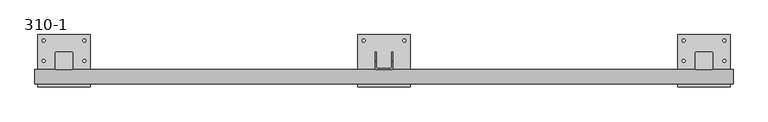
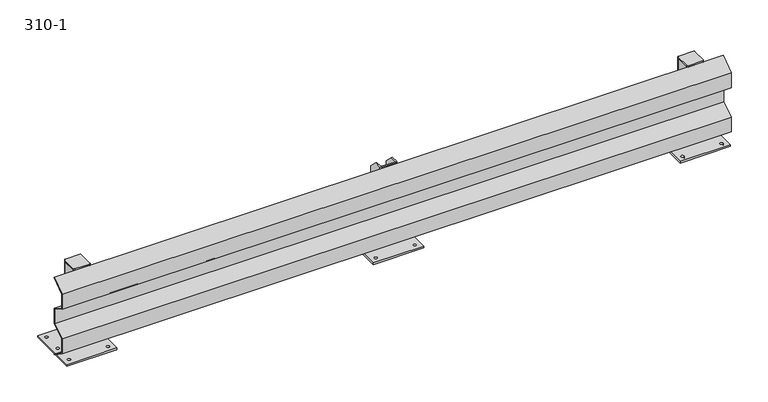
"""IFC4 building model written with IfcOpenShell, lengths in millimetres: proxy geometry, 310-1."""

import ifcopenshell
import ifcopenshell.guid

model = None  # the IFC model being written
_history = None  # IfcOwnerHistory: only IFC2X3 demands one
_inside = {}  # id of a spatial element -> (the spatial element, [elements in it])
_under = {}  # id of a project, library or spatial element -> (it, [spatial elements below it])
_declared = {}  # id of a project -> (the project, [libraries it declares])
_typed = {}  # id of a type object -> (the type object, [elements of that type])
_made_of = {}  # id of a material, layer set ... -> (it, [elements and type objects made of it])


def new_model(schema):
    """Start an empty IFC model of exactly this schema.

    Asked for "IFC4X3", IfcOpenShell would pick the latest addendum, in which some entities
    have other attributes; the version numbers below select the first issue.
    IFC2X3 requires an IfcOwnerHistory on every rooted entity: one is made here for all.
    """
    global model, _history
    if schema == "IFC4X3":
        model = ifcopenshell.file(schema_version=(4, 3, 0, 0))
    else:
        model = ifcopenshell.file(schema=schema)
    _inside.clear()
    _under.clear()
    _declared.clear()
    _typed.clear()
    _made_of.clear()
    _history = None
    if model.schema == "IFC2X3":
        org = make("IfcOrganization", Name="unknown")
        user = make(
            "IfcPersonAndOrganization",
            ThePerson=make("IfcPerson", FamilyName="unknown"),
            TheOrganization=org,
        )
        app = make(
            "IfcApplication",
            ApplicationDeveloper=org,
            Version="unknown",
            ApplicationFullName="unknown",
            ApplicationIdentifier="unknown",
        )
        _history = make(
            "IfcOwnerHistory",
            OwningUser=user,
            OwningApplication=app,
            ChangeAction="ADDED",
            CreationDate=0,
        )
    return model


def make(cls, **values):
    """One entity of the class cls with the attributes given. An attribute that is None is left unset."""
    return model.create_entity(
        cls, **{name: value for name, value in values.items() if value is not None}
    )


def rooted(cls, **values):
    """An entity with a GlobalId (a new one), such as an element, a storey or a relation."""
    return make(cls, GlobalId=ifcopenshell.guid.new(), OwnerHistory=_history, **values)


def si_unit(unit_type, name, prefix=None):
    """IfcSIUnit, for example si_unit("LENGTHUNIT", "METRE", prefix="MILLI")."""
    return make("IfcSIUnit", UnitType=unit_type, Prefix=prefix, Name=name)


def assignment(units):
    """IfcUnitAssignment: the units of a project."""
    return None if units is None else make("IfcUnitAssignment", Units=units)


def point(xyz):
    """IfcCartesianPoint."""
    return None if xyz is None else make("IfcCartesianPoint", Coordinates=xyz)


def direction(xyz):
    """IfcDirection."""
    return None if xyz is None else make("IfcDirection", DirectionRatios=xyz)


def frame(location, z_axis=None, x_axis=None):
    """IfcAxis2Placement3D, a coordinate frame: its origin and axes. An axis left out is left unset."""
    return make(
        "IfcAxis2Placement3D",
        Location=point(location),
        Axis=direction(z_axis),
        RefDirection=direction(x_axis),
    )


def frame_2d(location, x_axis=None):
    """IfcAxis2Placement2D, a coordinate frame in the plane: its origin and x axis."""
    return make(
        "IfcAxis2Placement2D", Location=point(location), RefDirection=direction(x_axis)
    )


def origin():
    """The frame at (0, 0, 0) with its axes left unset."""
    return frame((0.0, 0.0, 0.0))


def origin_with_axes():
    """The frame at (0, 0, 0) with the z axis (0, 0, 1) and the x axis (1, 0, 0) written out."""
    return frame((0.0, 0.0, 0.0), z_axis=(0.0, 0.0, 1.0), x_axis=(1.0, 0.0, 0.0))


def place(relative_to, where):
    """IfcLocalPlacement: puts the frame where relative to a parent placement (None: the world)."""
    return make(
        "IfcLocalPlacement", PlacementRelTo=relative_to, RelativePlacement=where
    )


def context(
    kind, dimensions, precision=None, world=None, true_north=None, identifier=None
):
    """IfcGeometricRepresentationContext, for example the 3D "Model" context."""
    return make(
        "IfcGeometricRepresentationContext",
        ContextIdentifier=identifier,
        ContextType=kind,
        CoordinateSpaceDimension=dimensions,
        Precision=precision,
        WorldCoordinateSystem=world,
        TrueNorth=true_north,
    )


def project(units=None, contexts=None):
    """IfcProject with its units and contexts."""
    return rooted(
        "IfcProject",
        Name="project",
        RepresentationContexts=contexts,
        UnitsInContext=assignment(units),
    )


def spatial(cls, under=None, at=None, **own):
    """A site, building, storey or space (cls), placed at a placement, below another one or the project."""
    s = rooted(cls, ObjectPlacement=at, **own)
    if under is not None:
        _under.setdefault(under.id(), (under, []))[1].append(s)
    return s


def polyline(points):
    """IfcPolyline through the points."""
    return make("IfcPolyline", Points=[point(p) for p in points])


def circle_curve(where, radius):
    """IfcCircle in the frame where."""
    return make("IfcCircle", Position=where, Radius=radius)


def trimmed(basis, trim1, trim2, sense, master):
    """IfcTrimmedCurve: the piece of a basis curve between two trims."""
    return make(
        "IfcTrimmedCurve",
        BasisCurve=basis,
        Trim1=trim1,
        Trim2=trim2,
        SenseAgreement=sense,
        MasterRepresentation=master,
    )


def segment(curve, same_sense, transition):
    """IfcCompositeCurveSegment."""
    return make(
        "IfcCompositeCurveSegment",
        Transition=transition,
        SameSense=same_sense,
        ParentCurve=curve,
    )


def composite_curve(segments, self_intersect=None):
    """IfcCompositeCurve: segments joined end to end."""
    return make("IfcCompositeCurve", Segments=segments, SelfIntersect=self_intersect)


def outline(outer, holes=None, kind="AREA"):
    """IfcArbitraryClosedProfileDef: a profile drawn as a closed curve; with holes, ...WithVoids."""
    if holes is None:
        return make("IfcArbitraryClosedProfileDef", ProfileType=kind, OuterCurve=outer)
    return make(
        "IfcArbitraryProfileDefWithVoids",
        ProfileType=kind,
        OuterCurve=outer,
        InnerCurves=holes,
    )


def extrude(swept, where, along, depth):
    """IfcExtrudedAreaSolid: the profile swept, set in the frame where, extruded along a direction by depth."""
    return make(
        "IfcExtrudedAreaSolid",
        SweptArea=swept,
        Position=where,
        ExtrudedDirection=direction(along),
        Depth=depth,
    )


def shape(context_of_items, identifier, shape_type, items):
    """IfcShapeRepresentation: the items that make up one representation, for example the "Body"."""
    return make(
        "IfcShapeRepresentation",
        ContextOfItems=context_of_items,
        RepresentationIdentifier=identifier,
        RepresentationType=shape_type,
        Items=items,
    )


def source(mapping_origin, context_of_items, identifier, shape_type, items):
    """IfcRepresentationMap: a shape defined once, which mapped items show again and again."""
    return make(
        "IfcRepresentationMap",
        MappingOrigin=mapping_origin,
        MappedRepresentation=shape(context_of_items, identifier, shape_type, items),
    )


def transform(
    local_origin,
    x_axis=None,
    y_axis=None,
    z_axis=None,
    scale=None,
    scale2=None,
    scale3=None,
    uniform=True,
):
    """IfcCartesianTransformationOperator3D, or its non-uniform kind. x_axis, y_axis, z_axis: its Axis1, 2, 3."""
    if uniform:
        return make(
            "IfcCartesianTransformationOperator3D",
            Axis1=direction(x_axis),
            Axis2=direction(y_axis),
            LocalOrigin=point(local_origin),
            Scale=scale,
            Axis3=direction(z_axis),
        )
    return make(
        "IfcCartesianTransformationOperator3DnonUniform",
        Axis1=direction(x_axis),
        Axis2=direction(y_axis),
        LocalOrigin=point(local_origin),
        Scale=scale,
        Axis3=direction(z_axis),
        Scale2=scale2,
        Scale3=scale3,
    )


def mapped(mapping_source, mapping_target):
    """IfcMappedItem: shows the shape of a source again, moved by a transform."""
    return make(
        "IfcMappedItem", MappingSource=mapping_source, MappingTarget=mapping_target
    )


def made_of(thing, what):
    """Note that an element or type object is made of a material, layer set ...; save() writes the relation."""
    if what is not None:
        _made_of.setdefault(what.id(), (what, []))[1].append(thing)
    return thing


def element(
    cls,
    number,
    at=None,
    inside=None,
    cuts=None,
    type_object=None,
    material=None,
    context=None,
    identifier="Body",
    shape_type=None,
    held_by="IfcProductDefinitionShape",
    body=None,
    shapes=None,
    **own,
):
    """One element of the class cls, such as IfcWall. Its Tag is "e" and its number.

    at: its placement. inside: the storey or other place that contains it. cuts: it is an
    opening in that element (IfcRelVoidsElement). A single representation is given by context,
    identifier, shape_type and body (its items); several are given by shapes. held_by: the class
    of the entity that holds the representations. save() writes the other relations.
    """
    e = rooted(cls, Tag="e%d" % number, ObjectPlacement=at, **own)
    if body is not None:
        shapes = [shape(context, identifier, shape_type, body)]
    if shapes is not None:
        e.Representation = make(held_by, Representations=shapes)
    if inside is not None:
        _inside.setdefault(inside.id(), (inside, []))[1].append(e)
    if cuts is not None:
        rooted(
            "IfcRelVoidsElement", RelatingBuildingElement=cuts, RelatedOpeningElement=e
        )
    if type_object is not None:
        _typed.setdefault(type_object.id(), (type_object, []))[1].append(e)
    return made_of(e, material)


def aggregate(whole, parts):
    """IfcRelAggregates: a whole, such as a stair, and the parts it consists of."""
    return rooted("IfcRelAggregates", RelatingObject=whole, RelatedObjects=parts)


def save(model, path):
    """Write the relations noted so far, then the file.

    IfcRelAggregates (storeys below a building ...), IfcRelContainedInSpatialStructure (elements
    in a storey), IfcRelDefinesByType, IfcRelAssociatesMaterial and IfcRelDeclares: one each for
    every whole, place, type object, material and project.
    """
    for whole, parts in _under.values():
        aggregate(whole, parts)
    for where, things in _inside.values():
        rooted(
            "IfcRelContainedInSpatialStructure",
            RelatedElements=things,
            RelatingStructure=where,
        )
    for kind, things in _typed.values():
        rooted("IfcRelDefinesByType", RelatedObjects=things, RelatingType=kind)
    for what, things in _made_of.values():
        rooted("IfcRelAssociatesMaterial", RelatedObjects=things, RelatingMaterial=what)
    for by, libraries in _declared.values():
        rooted("IfcRelDeclares", RelatingContext=by, RelatedDefinitions=libraries)
    model.write(path)


def plane_surface(at):
    """IfcPlane: the flat surface through the origin of the frame at, square to its z axis."""
    return make("IfcPlane", Position=at)


def cylinder_surface(at, radius):
    """IfcCylindricalSurface: all points at the distance radius from the z axis of the frame at."""
    return make("IfcCylindricalSurface", Position=at, Radius=radius)


def revolved_surface(curve, axis_point, axis_direction):
    """IfcSurfaceOfRevolution: the curve turned about the line through axis_point along axis_direction."""
    return make(
        "IfcSurfaceOfRevolution",
        SweptCurve=make("IfcArbitraryOpenProfileDef", ProfileType="CURVE", Curve=curve),
        AxisPosition=make("IfcAxis1Placement", Location=point(axis_point), Axis=direction(axis_direction)),
    )


def advanced_brep(points, edges, surfaces, faces):
    """IfcAdvancedBrep: a solid bounded by faces that lie on surfaces and meet in shared edges.

    An edge is (start, end): straight between two places in points (the first is 0);
    or (start, end, curve); or (start, end, curve, False) where it runs against its curve.
    A face is (place in surfaces, loops), or (place, loops, False) where it looks against
    its surface's normal. A loop lists edges by number (the first is 1), with a minus sign
    where the edge is run from its end to its start. The first loop is the outer one.
    """
    corners = [point(p) for p in points]
    vertices = [make("IfcVertexPoint", VertexGeometry=c) for c in corners]
    made = []
    for start, end, *more in edges:
        made.append(
            make(
                "IfcEdgeCurve",
                EdgeStart=vertices[start],
                EdgeEnd=vertices[end],
                EdgeGeometry=more[0] if more else make("IfcPolyline", Points=[corners[start], corners[end]]),
                SameSense=more[1] if len(more) > 1 else True,
            )
        )
    hull = []
    for where, loops, *sense in faces:
        bounds = []
        for j, loop in enumerate(loops):
            ring = [make("IfcOrientedEdge", EdgeElement=made[abs(k) - 1], Orientation=k > 0) for k in loop]
            bounds.append(
                make(
                    "IfcFaceOuterBound" if j == 0 else "IfcFaceBound",
                    Bound=make("IfcEdgeLoop", EdgeList=ring),
                    Orientation=True,
                )
            )
        hull.append(make("IfcAdvancedFace", Bounds=bounds, FaceSurface=surfaces[where], SameSense=sense[0] if sense else True))
    return make("IfcAdvancedBrep", Outer=make("IfcClosedShell", CfsFaces=hull))


def proxy_310_1_4aca8709(model_context):
    return source(origin(), model_context, "Body", "SolidModel", [
        extrude(outline(polyline([(-30.0, 302.5500027), (-78.0, 268.5877822), (-78.0, 214.6001053), (-30.0, 186.1623259), (-30.0, 128.8381046), (-78.0, 100.4408827), (-78.0, 46.3636576), (-30.0, 12.4488566), (-30.0, 10.0), (-80.0, 45.3279177), (-80.0, 101.581456), (-32.0, 129.9786778), (-32.0, 185.0225816), (-80.0, 213.4603611), (-80.0, 269.622687), (-30.0, 305.0), (-30.0, 302.5500027)])), frame((-100.0, 0.0, 0.0), z_axis=(1.0, 0.0, 0.0), x_axis=(0.0, 1.0, 0.0)), (0.0, 0.0, 1.0), 2400.0),
        advanced_brep(
        [(1070.0, -26.0, 310.0), (1074.0, -30.0, 310.0), (1126.0, -30.0, 310.0), (1130.0, -26.0, 310.0), (1130.0, 0.0, 310.0), (1126.0, 0.0, 310.0), (1126.0, -24.0, 310.0), (1124.0, -26.0, 310.0), (1076.0, -26.0, 310.0), (1074.0, -24.0, 310.0), (1074.0, 0.0, 310.0), (1070.0, 0.0, 310.0), (1070.0, -26.0, 6.0), (1070.0, 30.0, 6.0), (1074.0, 30.0, 6.0), (1074.0, -24.0, 6.0), (1076.0, -26.0, 6.0), (1124.0, -26.0, 6.0), (1126.0, -24.0, 6.0), (1126.0, 30.0, 6.0), (1130.0, 30.0, 6.0), (1130.0, -26.0, 6.0), (1126.0, -30.0, 6.0), (1074.0, -30.0, 6.0), (1130.0, 30.0, 280.0), (1126.0, 30.0, 280.0), (1074.0, 30.0, 280.0), (1070.0, 30.0, 280.0)],
        [
            (0, 1, circle_curve(frame((1074.0, -26.0, 310.0), z_axis=(0.0, 0.0, 1.0), x_axis=(-1.0, 0.0, 0.0)), 4.0)),
            (1, 2),
            (2, 3, circle_curve(frame((1126.0, -26.0, 310.0), z_axis=(0.0, 0.0, 1.0), x_axis=(-1.0, 0.0, 0.0)), 4.0)),
            (3, 4),
            (4, 5),
            (5, 6),
            (6, 7, circle_curve(frame((1124.0, -24.0, 310.0), z_axis=(0.0, 0.0, -1.0), x_axis=(-1.0, 0.0, 0.0)), 2.0)),
            (7, 8),
            (8, 9, circle_curve(frame((1076.0, -24.0, 310.0), z_axis=(0.0, 0.0, -1.0), x_axis=(-1.0, 0.0, 0.0)), 2.0)),
            (9, 10),
            (10, 11),
            (11, 0),
            (12, 13),
            (13, 14),
            (14, 15),
            (15, 16, circle_curve(frame((1076.0, -24.0, 6.0), z_axis=(0.0, 0.0, 1.0), x_axis=(-1.0, 0.0, 0.0)), 2.0)),
            (16, 17),
            (17, 18, circle_curve(frame((1124.0, -24.0, 6.0), z_axis=(0.0, 0.0, 1.0), x_axis=(-1.0, 0.0, 0.0)), 2.0)),
            (18, 19),
            (19, 20),
            (20, 21),
            (21, 22, circle_curve(frame((1126.0, -26.0, 6.0), z_axis=(0.0, 0.0, -1.0), x_axis=(-1.0, 0.0, 0.0)), 4.0)),
            (22, 23),
            (23, 12, circle_curve(frame((1074.0, -26.0, 6.0), z_axis=(0.0, 0.0, -1.0), x_axis=(-1.0, 0.0, 0.0)), 4.0)),
            (0, 12),
            (23, 1),
            (22, 2),
            (21, 3),
            (20, 24),
            (24, 4),
            (19, 25),
            (25, 24),
            (18, 6),
            (5, 25),
            (17, 7),
            (16, 8),
            (15, 9),
            (14, 26),
            (26, 10),
            (13, 27),
            (27, 26),
            (11, 27),
        ],
        [
            plane_surface(frame((1070.0, -26.0, 310.0), z_axis=(0.0, 0.0, 1.0), x_axis=(0.0, -1.0, 0.0))),
            plane_surface(frame((1070.0, -26.0, 6.0), z_axis=(0.0, 0.0, -1.0), x_axis=(0.0, 1.0, 0.0))),
            cylinder_surface(frame((1074.0, -26.0, 6.0), z_axis=(0.0, 0.0, 1.0), x_axis=(-1.0, 0.0, 0.0)), 4.0),
            plane_surface(frame((1074.0, -30.0, 310.0), z_axis=(0.0, -1.0, 0.0), x_axis=(0.0, 0.0, -1.0))),
            cylinder_surface(frame((1126.0, -26.0, 6.0), z_axis=(0.0, 0.0, 1.0), x_axis=(-1.0, 0.0, 0.0)), 4.0),
            plane_surface(frame((1130.0, -26.0, 310.0), z_axis=(1.0, 0.0, 0.0), x_axis=(0.0, 0.0, -1.0))),
            plane_surface(frame((1130.0, 30.0, 310.0), z_axis=(0.0, 1.0, 0.0), x_axis=(0.0, 0.0, -1.0))),
            plane_surface(frame((1126.0, 30.0, 310.0), z_axis=(-1.0, 0.0, 0.0), x_axis=(0.0, 0.0, -1.0))),
            revolved_surface(polyline([(1122.0, -24.0, 6.0), (1122.0, -24.0, 310.0)]), (1124.0, -24.0, 6.0), (0.0, 0.0, -1.0)),
            plane_surface(frame((1124.0, -26.0, 310.0), z_axis=(0.0, 1.0, 0.0), x_axis=(0.0, 0.0, -1.0))),
            revolved_surface(polyline([(1074.0, -24.0, 6.0), (1074.0, -24.0, 310.0)]), (1076.0, -24.0, 6.0), (0.0, 0.0, -1.0)),
            plane_surface(frame((1074.0, -24.0, 310.0), z_axis=(1.0, 0.0, 0.0), x_axis=(0.0, 0.0, -1.0))),
            plane_surface(frame((1074.0, 30.0, 310.0), z_axis=(0.0, 1.0, 0.0), x_axis=(0.0, 0.0, -1.0))),
            plane_surface(frame((1070.0, 30.0, 310.0), z_axis=(-1.0, 0.0, 0.0), x_axis=(0.0, 0.0, -1.0))),
            plane_surface(frame((1130.0, 0.0, 310.0), z_axis=(0.0, 0.7071067811865482, 0.7071067811865469), x_axis=(-1.0, 0.0, 0.0))),
            plane_surface(frame((1074.0, 0.0, 310.0), z_axis=(0.0, 0.7071067811865539, 0.7071067811865411), x_axis=(-1.0, 0.0, 0.0))),
        ],
        [
            (0, [[1, 2, 3, 4, 5, 6, 7, 8, 9, 10, 11, 12]]),
            (1, [[13, 14, 15, 16, 17, 18, 19, 20, 21, 22, 23, 24]]),
            (2, [[-1, 25, -24, 26]]),
            (3, [[-2, -26, -23, 27]]),
            (4, [[-3, -27, -22, 28]]),
            (5, [[-21, 29, 30, -4, -28]]),
            (6, [[-20, 31, 32, -29]]),
            (7, [[-19, 33, -6, 34, -31]]),
            (8, [[-7, -33, -18, 35]]),
            (9, [[-8, -35, -17, 36]]),
            (10, [[-9, -36, -16, 37]]),
            (11, [[-15, 38, 39, -10, -37]]),
            (12, [[-14, 40, 41, -38]]),
            (13, [[-13, -25, -12, 42, -40]]),
            (14, [[-5, -30, -32, -34]]),
            (15, [[-11, -39, -41, -42]]),
        ],
    ),
        extrude(outline(polyline([(1190.0, 90.0), (1190.0, -90.0), (1010.0, -90.0), (1010.0, 90.0), (1190.0, 90.0)]), holes=[composite_curve([segment(trimmed(circle_curve(frame_2d((1030.0, 70.0)), 5.0), [point((1025.0, 70.0))], [point((1035.0, 70.0))], True, "CARTESIAN"), True, "CONTINUOUS"), segment(trimmed(circle_curve(frame_2d((1030.0, 70.0)), 5.0), [point((1035.0, 70.0))], [point((1025.0, 70.0))], True, "CARTESIAN"), True, "CONTINUOUS")], self_intersect=False), composite_curve([segment(trimmed(circle_curve(frame_2d((1170.0, 70.0)), 5.0), [point((1165.0, 70.0))], [point((1175.0, 70.0))], True, "CARTESIAN"), True, "CONTINUOUS"), segment(trimmed(circle_curve(frame_2d((1170.0, 70.0)), 5.0), [point((1175.0, 70.0))], [point((1165.0, 70.0))], True, "CARTESIAN"), True, "CONTINUOUS")], self_intersect=False), composite_curve([segment(trimmed(circle_curve(frame_2d((1030.0, -70.0)), 5.0), [point((1025.0, -70.0))], [point((1035.0, -70.0))], True, "CARTESIAN"), True, "CONTINUOUS"), segment(trimmed(circle_curve(frame_2d((1030.0, -70.0)), 5.0), [point((1035.0, -70.0))], [point((1025.0, -70.0))], True, "CARTESIAN"), True, "CONTINUOUS")], self_intersect=False), composite_curve([segment(trimmed(circle_curve(frame_2d((1170.0, -70.0)), 5.0), [point((1165.0, -70.0))], [point((1175.0, -70.0))], True, "CARTESIAN"), True, "CONTINUOUS"), segment(trimmed(circle_curve(frame_2d((1170.0, -70.0)), 5.0), [point((1175.0, -70.0))], [point((1165.0, -70.0))], True, "CARTESIAN"), True, "CONTINUOUS")], self_intersect=False)]), origin_with_axes(), (0.0, 0.0, 1.0), 6.0),
        extrude(outline(composite_curve([segment(trimmed(circle_curve(frame_2d((2226.0, 26.0)), 4.0), [point((2226.0, 30.0))], [point((2230.0, 26.0))], False, "CARTESIAN"), True, "CONTINUOUS"), segment(polyline([(2230.0, 26.0), (2230.0, -26.0)]), True, "CONTINUOUS"), segment(trimmed(circle_curve(frame_2d((2226.0, -26.0)), 4.0), [point((2230.0, -26.0))], [point((2226.0, -30.0))], False, "CARTESIAN"), True, "CONTINUOUS"), segment(polyline([(2226.0, -30.0), (2174.0, -30.0)]), True, "CONTINUOUS"), segment(trimmed(circle_curve(frame_2d((2174.0, -26.0)), 4.0), [point((2174.0, -30.0))], [point((2170.0, -26.0))], False, "CARTESIAN"), True, "CONTINUOUS"), segment(polyline([(2170.0, -26.0), (2170.0, 26.0)]), True, "CONTINUOUS"), segment(trimmed(circle_curve(frame_2d((2174.0, 26.0)), 4.0), [point((2170.0, 26.0))], [point((2174.0, 30.0))], False, "CARTESIAN"), True, "CONTINUOUS"), segment(polyline([(2174.0, 30.0), (2226.0, 30.0)]), True, "CONTINUOUS")], self_intersect=False)), frame((0.0, 0.0, 305.0), z_axis=(0.0, 0.0, 1.0), x_axis=(1.0, 0.0, 0.0)), (0.0, 0.0, 1.0), 5.0),
        extrude(outline(composite_curve([segment(polyline([(2170.0, -26.0), (2170.0, 26.0)]), True, "CONTINUOUS"), segment(trimmed(circle_curve(frame_2d((2174.0, 26.0)), 4.0), [point((2170.0, 26.0))], [point((2174.0, 30.0))], False, "CARTESIAN"), True, "CONTINUOUS"), segment(polyline([(2174.0, 30.0), (2226.0, 30.0)]), True, "CONTINUOUS"), segment(trimmed(circle_curve(frame_2d((2226.0, 26.0)), 4.0), [point((2226.0, 30.0))], [point((2230.0, 26.0))], False, "CARTESIAN"), True, "CONTINUOUS"), segment(polyline([(2230.0, 26.0), (2230.0, -26.0)]), True, "CONTINUOUS"), segment(trimmed(circle_curve(frame_2d((2226.0, -26.0)), 4.0), [point((2230.0, -26.0))], [point((2226.0, -30.0))], False, "CARTESIAN"), True, "CONTINUOUS"), segment(polyline([(2226.0, -30.0), (2174.0, -30.0)]), True, "CONTINUOUS"), segment(trimmed(circle_curve(frame_2d((2174.0, -26.0)), 4.0), [point((2174.0, -30.0))], [point((2170.0, -26.0))], False, "CARTESIAN"), True, "CONTINUOUS")], self_intersect=False), holes=[composite_curve([segment(polyline([(2224.0, 26.0), (2176.0, 26.0)]), True, "CONTINUOUS"), segment(trimmed(circle_curve(frame_2d((2176.0, 24.0)), 2.0), [point((2176.0, 26.0))], [point((2174.0, 24.0))], True, "CARTESIAN"), True, "CONTINUOUS"), segment(polyline([(2174.0, 24.0), (2174.0, -24.0)]), True, "CONTINUOUS"), segment(trimmed(circle_curve(frame_2d((2176.0, -24.0)), 2.0), [point((2174.0, -24.0))], [point((2176.0, -26.0))], True, "CARTESIAN"), True, "CONTINUOUS"), segment(polyline([(2176.0, -26.0), (2224.0, -26.0)]), True, "CONTINUOUS"), segment(trimmed(circle_curve(frame_2d((2224.0, -24.0)), 2.0), [point((2224.0, -26.0))], [point((2226.0, -24.0))], True, "CARTESIAN"), True, "CONTINUOUS"), segment(polyline([(2226.0, -24.0), (2226.0, 24.0)]), True, "CONTINUOUS"), segment(trimmed(circle_curve(frame_2d((2224.0, 24.0)), 2.0), [point((2226.0, 24.0))], [point((2224.0, 26.0))], True, "CARTESIAN"), True, "CONTINUOUS")], self_intersect=False)]), frame((0.0, 0.0, 6.0), z_axis=(0.0, 0.0, 1.0), x_axis=(1.0, 0.0, 0.0)), (0.0, 0.0, 1.0), 299.0),
        extrude(outline(polyline([(2290.0, 90.0), (2290.0, -90.0), (2110.0, -90.0), (2110.0, 90.0), (2290.0, 90.0)]), holes=[composite_curve([segment(trimmed(circle_curve(frame_2d((2130.0, 70.0)), 5.0), [point((2125.0, 70.0))], [point((2135.0, 70.0))], True, "CARTESIAN"), True, "CONTINUOUS"), segment(trimmed(circle_curve(frame_2d((2130.0, 70.0)), 5.0), [point((2135.0, 70.0))], [point((2125.0, 70.0))], True, "CARTESIAN"), True, "CONTINUOUS")], self_intersect=False), composite_curve([segment(trimmed(circle_curve(frame_2d((2130.0, 0.0)), 5.0), [point((2125.0, 0.0))], [point((2135.0, 0.0))], True, "CARTESIAN"), True, "CONTINUOUS"), segment(trimmed(circle_curve(frame_2d((2130.0, 0.0)), 5.0), [point((2135.0, 0.0))], [point((2125.0, 0.0))], True, "CARTESIAN"), True, "CONTINUOUS")], self_intersect=False), composite_curve([segment(trimmed(circle_curve(frame_2d((2130.0, -70.0)), 5.0), [point((2125.0, -70.0))], [point((2135.0, -70.0))], True, "CARTESIAN"), True, "CONTINUOUS"), segment(trimmed(circle_curve(frame_2d((2130.0, -70.0)), 5.0), [point((2135.0, -70.0))], [point((2125.0, -70.0))], True, "CARTESIAN"), True, "CONTINUOUS")], self_intersect=False), composite_curve([segment(trimmed(circle_curve(frame_2d((2270.0, -70.0)), 5.0), [point((2265.0, -70.0))], [point((2275.0, -70.0))], True, "CARTESIAN"), True, "CONTINUOUS"), segment(trimmed(circle_curve(frame_2d((2270.0, -70.0)), 5.0), [point((2275.0, -70.0))], [point((2265.0, -70.0))], True, "CARTESIAN"), True, "CONTINUOUS")], self_intersect=False), composite_curve([segment(trimmed(circle_curve(frame_2d((2270.0, 0.0)), 5.0), [point((2265.0, 0.0))], [point((2275.0, 0.0))], True, "CARTESIAN"), True, "CONTINUOUS"), segment(trimmed(circle_curve(frame_2d((2270.0, 0.0)), 5.0), [point((2275.0, 0.0))], [point((2265.0, 0.0))], True, "CARTESIAN"), True, "CONTINUOUS")], self_intersect=False), composite_curve([segment(trimmed(circle_curve(frame_2d((2270.0, 70.0)), 5.0), [point((2265.0, 70.0))], [point((2275.0, 70.0))], True, "CARTESIAN"), True, "CONTINUOUS"), segment(trimmed(circle_curve(frame_2d((2270.0, 70.0)), 5.0), [point((2275.0, 70.0))], [point((2265.0, 70.0))], True, "CARTESIAN"), True, "CONTINUOUS")], self_intersect=False)]), origin_with_axes(), (0.0, 0.0, 1.0), 6.0),
        extrude(outline(composite_curve([segment(trimmed(circle_curve(frame_2d((26.0, 26.0)), 4.0), [point((26.0, 30.0))], [point((30.0, 26.0))], False, "CARTESIAN"), True, "CONTINUOUS"), segment(polyline([(30.0, 26.0), (30.0, -26.0)]), True, "CONTINUOUS"), segment(trimmed(circle_curve(frame_2d((26.0, -26.0)), 4.0), [point((30.0, -26.0))], [point((26.0, -30.0))], False, "CARTESIAN"), True, "CONTINUOUS"), segment(polyline([(26.0, -30.0), (-26.0, -30.0)]), True, "CONTINUOUS"), segment(trimmed(circle_curve(frame_2d((-26.0, -26.0)), 4.0), [point((-26.0, -30.0))], [point((-30.0, -26.0))], False, "CARTESIAN"), True, "CONTINUOUS"), segment(polyline([(-30.0, -26.0), (-30.0, 26.0)]), True, "CONTINUOUS"), segment(trimmed(circle_curve(frame_2d((-26.0, 26.0)), 4.0), [point((-30.0, 26.0))], [point((-26.0, 30.0))], False, "CARTESIAN"), True, "CONTINUOUS"), segment(polyline([(-26.0, 30.0), (26.0, 30.0)]), True, "CONTINUOUS")], self_intersect=False)), frame((0.0, 0.0, 305.0), z_axis=(0.0, 0.0, 1.0), x_axis=(1.0, 0.0, 0.0)), (0.0, 0.0, 1.0), 5.0),
        extrude(outline(composite_curve([segment(polyline([(-30.0, -26.0), (-30.0, 26.0)]), True, "CONTINUOUS"), segment(trimmed(circle_curve(frame_2d((-26.0, 26.0)), 4.0), [point((-30.0, 26.0))], [point((-26.0, 30.0))], False, "CARTESIAN"), True, "CONTINUOUS"), segment(polyline([(-26.0, 30.0), (26.0, 30.0)]), True, "CONTINUOUS"), segment(trimmed(circle_curve(frame_2d((26.0, 26.0)), 4.0), [point((26.0, 30.0))], [point((30.0, 26.0))], False, "CARTESIAN"), True, "CONTINUOUS"), segment(polyline([(30.0, 26.0), (30.0, -26.0)]), True, "CONTINUOUS"), segment(trimmed(circle_curve(frame_2d((26.0, -26.0)), 4.0), [point((30.0, -26.0))], [point((26.0, -30.0))], False, "CARTESIAN"), True, "CONTINUOUS"), segment(polyline([(26.0, -30.0), (-26.0, -30.0)]), True, "CONTINUOUS"), segment(trimmed(circle_curve(frame_2d((-26.0, -26.0)), 4.0), [point((-26.0, -30.0))], [point((-30.0, -26.0))], False, "CARTESIAN"), True, "CONTINUOUS")], self_intersect=False), holes=[composite_curve([segment(polyline([(24.0, 26.0), (-24.0, 26.0)]), True, "CONTINUOUS"), segment(trimmed(circle_curve(frame_2d((-24.0, 24.0)), 2.0), [point((-24.0, 26.0))], [point((-26.0, 24.0))], True, "CARTESIAN"), True, "CONTINUOUS"), segment(polyline([(-26.0, 24.0), (-26.0, -24.0)]), True, "CONTINUOUS"), segment(trimmed(circle_curve(frame_2d((-24.0, -24.0)), 2.0), [point((-26.0, -24.0))], [point((-24.0, -26.0))], True, "CARTESIAN"), True, "CONTINUOUS"), segment(polyline([(-24.0, -26.0), (24.0, -26.0)]), True, "CONTINUOUS"), segment(trimmed(circle_curve(frame_2d((24.0, -24.0)), 2.0), [point((24.0, -26.0))], [point((26.0, -24.0))], True, "CARTESIAN"), True, "CONTINUOUS"), segment(polyline([(26.0, -24.0), (26.0, 24.0)]), True, "CONTINUOUS"), segment(trimmed(circle_curve(frame_2d((24.0, 24.0)), 2.0), [point((26.0, 24.0))], [point((24.0, 26.0))], True, "CARTESIAN"), True, "CONTINUOUS")], self_intersect=False)]), frame((0.0, 0.0, 6.0), z_axis=(0.0, 0.0, 1.0), x_axis=(1.0, 0.0, 0.0)), (0.0, 0.0, 1.0), 299.0),
        extrude(outline(polyline([(90.0, 90.0), (90.0, -90.0), (-90.0, -90.0), (-90.0, 90.0), (90.0, 90.0)]), holes=[composite_curve([segment(trimmed(circle_curve(frame_2d((-70.0, 70.0)), 5.0), [point((-75.0, 70.0))], [point((-65.0, 70.0))], True, "CARTESIAN"), True, "CONTINUOUS"), segment(trimmed(circle_curve(frame_2d((-70.0, 70.0)), 5.0), [point((-65.0, 70.0))], [point((-75.0, 70.0))], True, "CARTESIAN"), True, "CONTINUOUS")], self_intersect=False), composite_curve([segment(trimmed(circle_curve(frame_2d((-70.0, 0.0)), 5.0), [point((-75.0, 0.0))], [point((-65.0, 0.0))], True, "CARTESIAN"), True, "CONTINUOUS"), segment(trimmed(circle_curve(frame_2d((-70.0, 0.0)), 5.0), [point((-65.0, 0.0))], [point((-75.0, 0.0))], True, "CARTESIAN"), True, "CONTINUOUS")], self_intersect=False), composite_curve([segment(trimmed(circle_curve(frame_2d((-70.0, -70.0)), 5.0), [point((-75.0, -70.0))], [point((-65.0, -70.0))], True, "CARTESIAN"), True, "CONTINUOUS"), segment(trimmed(circle_curve(frame_2d((-70.0, -70.0)), 5.0), [point((-65.0, -70.0))], [point((-75.0, -70.0))], True, "CARTESIAN"), True, "CONTINUOUS")], self_intersect=False), composite_curve([segment(trimmed(circle_curve(frame_2d((70.0, -70.0)), 5.0), [point((65.0, -70.0))], [point((75.0, -70.0))], True, "CARTESIAN"), True, "CONTINUOUS"), segment(trimmed(circle_curve(frame_2d((70.0, -70.0)), 5.0), [point((75.0, -70.0))], [point((65.0, -70.0))], True, "CARTESIAN"), True, "CONTINUOUS")], self_intersect=False), composite_curve([segment(trimmed(circle_curve(frame_2d((70.0, 0.0)), 5.0), [point((65.0, 0.0))], [point((75.0, 0.0))], True, "CARTESIAN"), True, "CONTINUOUS"), segment(trimmed(circle_curve(frame_2d((70.0, 0.0)), 5.0), [point((75.0, 0.0))], [point((65.0, 0.0))], True, "CARTESIAN"), True, "CONTINUOUS")], self_intersect=False), composite_curve([segment(trimmed(circle_curve(frame_2d((70.0, 70.0)), 5.0), [point((65.0, 70.0))], [point((75.0, 70.0))], True, "CARTESIAN"), True, "CONTINUOUS"), segment(trimmed(circle_curve(frame_2d((70.0, 70.0)), 5.0), [point((75.0, 70.0))], [point((65.0, 70.0))], True, "CARTESIAN"), True, "CONTINUOUS")], self_intersect=False)]), origin_with_axes(), (0.0, 0.0, 1.0), 6.0),
    ])


if __name__ == "__main__":
    model = new_model("IFC4")
    model_context = context("Model", 3, world=origin())
    ifc_project = project(units=[si_unit("LENGTHUNIT", "METRE", prefix="MILLI")], contexts=[model_context])
    site = spatial("IfcSite", under=ifc_project)
    building = spatial("IfcBuilding", under=site)
    placement = place(None, origin())
    proxy_310_1_shape = proxy_310_1_4aca8709(model_context)
    element("IfcBuildingElementProxy", 1, Name="310-1", ObjectType="310-1", at=placement, inside=building, context=model_context, shape_type="MappedRepresentation", body=[
        mapped(proxy_310_1_shape, transform((0.0, 0.0, 0.0), x_axis=(1.0, 0.0, 0.0), y_axis=(0.0, 1.0, 0.0), z_axis=(0.0, 0.0, 1.0))),
    ])
    save(model, "model.ifc")
